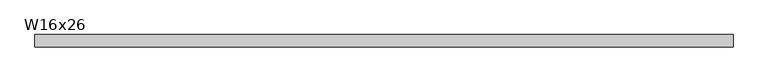
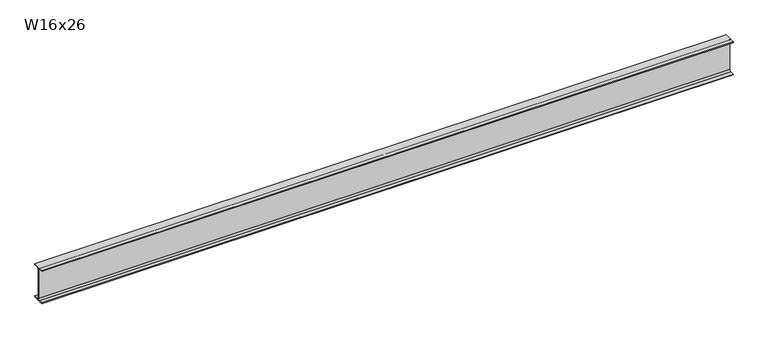
"""IFC4 building model written with IfcOpenShell, lengths in millimetres: beam geometry, W16x26."""

from ifc_helpers import new_model, si_unit, point, frame, frame_2d, origin, place, context, project, spatial, polyline, circle_curve, trimmed, segment, composite_curve, outline, extrude, source, transform, mapped, element, save


def w16x26_ae8e5744(model_context):
    return source(origin(), model_context, "Body", "SweptSolid", [
        extrude(outline(composite_curve([segment(polyline([(69.85, -190.627), (69.85, -199.39), (-69.85, -199.39), (-69.85, -190.627), (-21.3995, -190.627)]), True, "CONTINUOUS"), segment(trimmed(circle_curve(frame_2d((-21.3995, -172.4025)), 18.2245), [point((-21.3995, -190.627))], [point((-3.175, -172.4025))], True, "CARTESIAN"), True, "CONTINUOUS"), segment(polyline([(-3.175, -172.4025), (-3.175, 172.4025)]), True, "CONTINUOUS"), segment(trimmed(circle_curve(frame_2d((-21.3995, 172.4025)), 18.2245), [point((-3.175, 172.4025))], [point((-21.3995, 190.627))], True, "CARTESIAN"), True, "CONTINUOUS"), segment(polyline([(-21.3995, 190.627), (-69.85, 190.627), (-69.85, 199.39), (69.85, 199.39), (69.85, 190.627), (21.3995, 190.627)]), True, "CONTINUOUS"), segment(trimmed(circle_curve(frame_2d((21.3995, 172.4025)), 18.2245), [point((21.3995, 190.627))], [point((3.175, 172.4025))], True, "CARTESIAN"), True, "CONTINUOUS"), segment(polyline([(3.175, 172.4025), (3.175, -172.4025)]), True, "CONTINUOUS"), segment(trimmed(circle_curve(frame_2d((21.3995, -172.4025)), 18.2245), [point((3.175, -172.4025))], [point((21.3995, -190.627))], True, "CARTESIAN"), True, "CONTINUOUS"), segment(polyline([(21.3995, -190.627), (69.85, -190.627)]), True, "CONTINUOUS")], self_intersect=False)), frame((-3962.4, 0.0, 0.0), z_axis=(1.0, 0.0, 0.0), x_axis=(0.0, 1.0, 0.0)), (0.0, 0.0, 1.0), 7924.8),
    ])


if __name__ == "__main__":
    model = new_model("IFC4")
    model_context = context("Model", 3, world=origin())
    ifc_project = project(units=[si_unit("LENGTHUNIT", "METRE", prefix="MILLI")], contexts=[model_context])
    site = spatial("IfcSite", under=ifc_project)
    building = spatial("IfcBuilding", under=site)
    placement = place(None, origin())
    w16x26_shape = w16x26_ae8e5744(model_context)
    element("IfcBeam", 1, ObjectType="W16x26", at=placement, inside=building, context=model_context, shape_type="MappedRepresentation", body=[
        mapped(w16x26_shape, transform((0.0, 0.0, 0.0), x_axis=(1.0, 0.0, 0.0), y_axis=(0.0, 1.0, 0.0), z_axis=(0.0, 0.0, 1.0))),
    ])
    save(model, "model.ifc")
